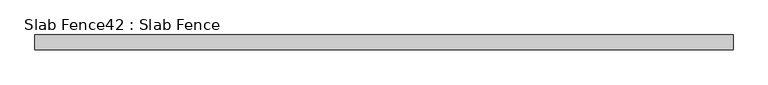
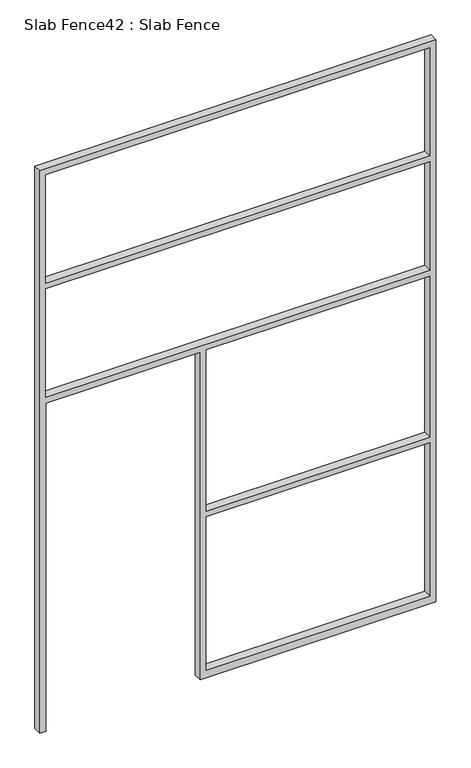
"""IFC4 building model written with IfcOpenShell, lengths in millimetres: proxy geometry, Slab Fence42 : Slab Fence."""

import ifcopenshell
import ifcopenshell.guid

model = None  # the IFC model being written
_history = None  # IfcOwnerHistory: only IFC2X3 demands one
_inside = {}  # id of a spatial element -> (the spatial element, [elements in it])
_under = {}  # id of a project, library or spatial element -> (it, [spatial elements below it])
_declared = {}  # id of a project -> (the project, [libraries it declares])
_typed = {}  # id of a type object -> (the type object, [elements of that type])
_made_of = {}  # id of a material, layer set ... -> (it, [elements and type objects made of it])


def new_model(schema):
    """Start an empty IFC model of exactly this schema.

    Asked for "IFC4X3", IfcOpenShell would pick the latest addendum, in which some entities
    have other attributes; the version numbers below select the first issue.
    IFC2X3 requires an IfcOwnerHistory on every rooted entity: one is made here for all.
    """
    global model, _history
    if schema == "IFC4X3":
        model = ifcopenshell.file(schema_version=(4, 3, 0, 0))
    else:
        model = ifcopenshell.file(schema=schema)
    _inside.clear()
    _under.clear()
    _declared.clear()
    _typed.clear()
    _made_of.clear()
    _history = None
    if model.schema == "IFC2X3":
        org = make("IfcOrganization", Name="unknown")
        user = make(
            "IfcPersonAndOrganization",
            ThePerson=make("IfcPerson", FamilyName="unknown"),
            TheOrganization=org,
        )
        app = make(
            "IfcApplication",
            ApplicationDeveloper=org,
            Version="unknown",
            ApplicationFullName="unknown",
            ApplicationIdentifier="unknown",
        )
        _history = make(
            "IfcOwnerHistory",
            OwningUser=user,
            OwningApplication=app,
            ChangeAction="ADDED",
            CreationDate=0,
        )
    return model


def make(cls, **values):
    """One entity of the class cls with the attributes given. An attribute that is None is left unset."""
    return model.create_entity(
        cls, **{name: value for name, value in values.items() if value is not None}
    )


def rooted(cls, **values):
    """An entity with a GlobalId (a new one), such as an element, a storey or a relation."""
    return make(cls, GlobalId=ifcopenshell.guid.new(), OwnerHistory=_history, **values)


def si_unit(unit_type, name, prefix=None):
    """IfcSIUnit, for example si_unit("LENGTHUNIT", "METRE", prefix="MILLI")."""
    return make("IfcSIUnit", UnitType=unit_type, Prefix=prefix, Name=name)


def assignment(units):
    """IfcUnitAssignment: the units of a project."""
    return None if units is None else make("IfcUnitAssignment", Units=units)


def point(xyz):
    """IfcCartesianPoint."""
    return None if xyz is None else make("IfcCartesianPoint", Coordinates=xyz)


def direction(xyz):
    """IfcDirection."""
    return None if xyz is None else make("IfcDirection", DirectionRatios=xyz)


def frame(location, z_axis=None, x_axis=None):
    """IfcAxis2Placement3D, a coordinate frame: its origin and axes. An axis left out is left unset."""
    return make(
        "IfcAxis2Placement3D",
        Location=point(location),
        Axis=direction(z_axis),
        RefDirection=direction(x_axis),
    )


def origin():
    """The frame at (0, 0, 0) with its axes left unset."""
    return frame((0.0, 0.0, 0.0))


def place(relative_to, where):
    """IfcLocalPlacement: puts the frame where relative to a parent placement (None: the world)."""
    return make(
        "IfcLocalPlacement", PlacementRelTo=relative_to, RelativePlacement=where
    )


def context(
    kind, dimensions, precision=None, world=None, true_north=None, identifier=None
):
    """IfcGeometricRepresentationContext, for example the 3D "Model" context."""
    return make(
        "IfcGeometricRepresentationContext",
        ContextIdentifier=identifier,
        ContextType=kind,
        CoordinateSpaceDimension=dimensions,
        Precision=precision,
        WorldCoordinateSystem=world,
        TrueNorth=true_north,
    )


def project(units=None, contexts=None):
    """IfcProject with its units and contexts."""
    return rooted(
        "IfcProject",
        Name="project",
        RepresentationContexts=contexts,
        UnitsInContext=assignment(units),
    )


def spatial(cls, under=None, at=None, **own):
    """A site, building, storey or space (cls), placed at a placement, below another one or the project."""
    s = rooted(cls, ObjectPlacement=at, **own)
    if under is not None:
        _under.setdefault(under.id(), (under, []))[1].append(s)
    return s


def polyline(points):
    """IfcPolyline through the points."""
    return make("IfcPolyline", Points=[point(p) for p in points])


def outline(outer, holes=None, kind="AREA"):
    """IfcArbitraryClosedProfileDef: a profile drawn as a closed curve; with holes, ...WithVoids."""
    if holes is None:
        return make("IfcArbitraryClosedProfileDef", ProfileType=kind, OuterCurve=outer)
    return make(
        "IfcArbitraryProfileDefWithVoids",
        ProfileType=kind,
        OuterCurve=outer,
        InnerCurves=holes,
    )


def extrude(swept, where, along, depth):
    """IfcExtrudedAreaSolid: the profile swept, set in the frame where, extruded along a direction by depth."""
    return make(
        "IfcExtrudedAreaSolid",
        SweptArea=swept,
        Position=where,
        ExtrudedDirection=direction(along),
        Depth=depth,
    )


def shape(context_of_items, identifier, shape_type, items):
    """IfcShapeRepresentation: the items that make up one representation, for example the "Body"."""
    return make(
        "IfcShapeRepresentation",
        ContextOfItems=context_of_items,
        RepresentationIdentifier=identifier,
        RepresentationType=shape_type,
        Items=items,
    )


def source(mapping_origin, context_of_items, identifier, shape_type, items):
    """IfcRepresentationMap: a shape defined once, which mapped items show again and again."""
    return make(
        "IfcRepresentationMap",
        MappingOrigin=mapping_origin,
        MappedRepresentation=shape(context_of_items, identifier, shape_type, items),
    )


def transform(
    local_origin,
    x_axis=None,
    y_axis=None,
    z_axis=None,
    scale=None,
    scale2=None,
    scale3=None,
    uniform=True,
):
    """IfcCartesianTransformationOperator3D, or its non-uniform kind. x_axis, y_axis, z_axis: its Axis1, 2, 3."""
    if uniform:
        return make(
            "IfcCartesianTransformationOperator3D",
            Axis1=direction(x_axis),
            Axis2=direction(y_axis),
            LocalOrigin=point(local_origin),
            Scale=scale,
            Axis3=direction(z_axis),
        )
    return make(
        "IfcCartesianTransformationOperator3DnonUniform",
        Axis1=direction(x_axis),
        Axis2=direction(y_axis),
        LocalOrigin=point(local_origin),
        Scale=scale,
        Axis3=direction(z_axis),
        Scale2=scale2,
        Scale3=scale3,
    )


def mapped(mapping_source, mapping_target):
    """IfcMappedItem: shows the shape of a source again, moved by a transform."""
    return make(
        "IfcMappedItem", MappingSource=mapping_source, MappingTarget=mapping_target
    )


def made_of(thing, what):
    """Note that an element or type object is made of a material, layer set ...; save() writes the relation."""
    if what is not None:
        _made_of.setdefault(what.id(), (what, []))[1].append(thing)
    return thing


def element(
    cls,
    number,
    at=None,
    inside=None,
    cuts=None,
    type_object=None,
    material=None,
    context=None,
    identifier="Body",
    shape_type=None,
    held_by="IfcProductDefinitionShape",
    body=None,
    shapes=None,
    **own,
):
    """One element of the class cls, such as IfcWall. Its Tag is "e" and its number.

    at: its placement. inside: the storey or other place that contains it. cuts: it is an
    opening in that element (IfcRelVoidsElement). A single representation is given by context,
    identifier, shape_type and body (its items); several are given by shapes. held_by: the class
    of the entity that holds the representations. save() writes the other relations.
    """
    e = rooted(cls, Tag="e%d" % number, ObjectPlacement=at, **own)
    if body is not None:
        shapes = [shape(context, identifier, shape_type, body)]
    if shapes is not None:
        e.Representation = make(held_by, Representations=shapes)
    if inside is not None:
        _inside.setdefault(inside.id(), (inside, []))[1].append(e)
    if cuts is not None:
        rooted(
            "IfcRelVoidsElement", RelatingBuildingElement=cuts, RelatedOpeningElement=e
        )
    if type_object is not None:
        _typed.setdefault(type_object.id(), (type_object, []))[1].append(e)
    return made_of(e, material)


def aggregate(whole, parts):
    """IfcRelAggregates: a whole, such as a stair, and the parts it consists of."""
    return rooted("IfcRelAggregates", RelatingObject=whole, RelatedObjects=parts)


def save(model, path):
    """Write the relations noted so far, then the file.

    IfcRelAggregates (storeys below a building ...), IfcRelContainedInSpatialStructure (elements
    in a storey), IfcRelDefinesByType, IfcRelAssociatesMaterial and IfcRelDeclares: one each for
    every whole, place, type object, material and project.
    """
    for whole, parts in _under.values():
        aggregate(whole, parts)
    for where, things in _inside.values():
        rooted(
            "IfcRelContainedInSpatialStructure",
            RelatedElements=things,
            RelatingStructure=where,
        )
    for kind, things in _typed.values():
        rooted("IfcRelDefinesByType", RelatedObjects=things, RelatingType=kind)
    for what, things in _made_of.values():
        rooted("IfcRelAssociatesMaterial", RelatedObjects=things, RelatingMaterial=what)
    for by, libraries in _declared.values():
        rooted("IfcRelDeclares", RelatingContext=by, RelatedDefinitions=libraries)
    model.write(path)


def slab_fence42_slab_fence_8e71a975(model_context):
    return source(origin(), model_context, "Body", "SweptSolid", [
        extrude(outline(polyline([(3657.6, 32245.2901795), (0.0, 32245.2901795), (0.0, 32283.3901795), (2133.6, 32283.3901795), (2133.6, 33232.7151795), (0.0, 33232.7151795), (0.0, 33270.8151795), (0.0, 34683.6901795), (3657.6, 34683.6901795), (3657.6, 32245.2901795)]), holes=[polyline([(2876.55, 32283.3901795), (2876.55, 34645.5901795), (2171.7, 34645.5901795), (2171.7, 32283.3901795), (2876.55, 32283.3901795)]), polyline([(3619.5, 34645.5901795), (2914.65, 34645.5901795), (2914.65, 32283.3901795), (3619.5, 32283.3901795), (3619.5, 34645.5901795)]), polyline([(1085.85, 33270.8151795), (2133.6, 33270.8151795), (2133.6, 34645.5901795), (1085.85, 34645.5901795), (1085.85, 33270.8151795)]), polyline([(1047.75, 34645.5901795), (50.8, 34645.5901795), (50.8, 33270.8151795), (1047.75, 33270.8151795), (1047.75, 34645.5901795)])]), frame((0.0, 19806.666085, 0.0), z_axis=(0.0, 1.0, 0.0), x_axis=(0.0, 0.0, 1.0)), (0.0, 0.0, 1.0), 52.001598),
    ])


if __name__ == "__main__":
    model = new_model("IFC4")
    model_context = context("Model", 3, world=origin())
    ifc_project = project(units=[si_unit("LENGTHUNIT", "METRE", prefix="MILLI")], contexts=[model_context])
    site = spatial("IfcSite", under=ifc_project)
    building = spatial("IfcBuilding", under=site)
    placement = place(None, origin())
    slab_fence42_slab_fence_shape = slab_fence42_slab_fence_8e71a975(model_context)
    element("IfcBuildingElementProxy", 1, Name="Slab Fence42 : Slab Fence", ObjectType="Slab Fence42 : Slab Fence", at=placement, inside=building, context=model_context, shape_type="MappedRepresentation", body=[
        mapped(slab_fence42_slab_fence_shape, transform((0.0, 0.0, 0.0), x_axis=(1.0, 0.0, 0.0), y_axis=(0.0, 1.0, 0.0), z_axis=(0.0, 0.0, 1.0))),
    ])
    save(model, "model.ifc")
